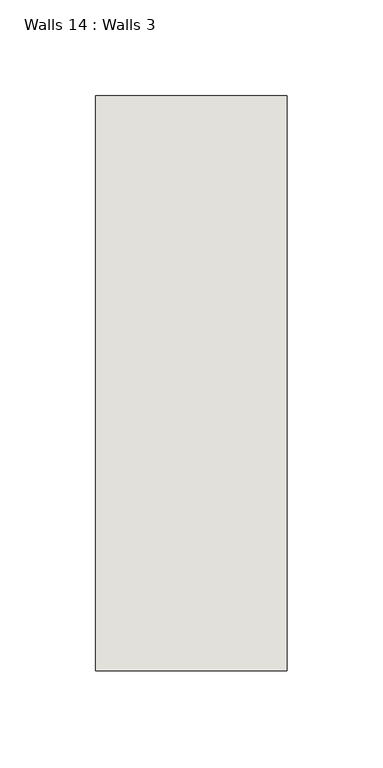
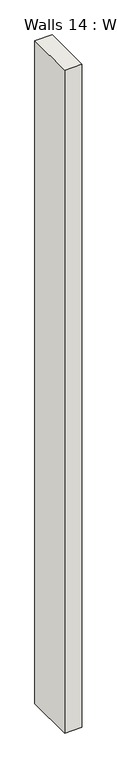
"""IFC4 building model written with IfcOpenShell, lengths in millimetres: wall geometry, Walls 14 : Walls 3."""

from ifc_helpers import new_model, si_unit, origin, origin_with_axes, place, context, project, spatial, polyline, outline, extrude, source, transform, mapped, element, save


def walls_14_walls_3_1f19c960(model_context):
    return source(origin(), model_context, "Body", "SweptSolid", [
        extrude(outline(polyline([(-6412.3812655, 1518.41264), (-6412.3812655, 1818.41264), (-6312.3812655, 1818.41264), (-6312.3812655, 1518.41264), (-6412.3812655, 1518.41264)])), origin_with_axes(), (0.0, 0.0, 1.0), 4085.1192828),
    ])


if __name__ == "__main__":
    model = new_model("IFC4")
    model_context = context("Model", 3, world=origin())
    ifc_project = project(units=[si_unit("LENGTHUNIT", "METRE", prefix="MILLI")], contexts=[model_context])
    site = spatial("IfcSite", under=ifc_project)
    building = spatial("IfcBuilding", under=site)
    placement = place(None, origin())
    walls_14_walls_3_shape = walls_14_walls_3_1f19c960(model_context)
    element("IfcWall", 1, ObjectType="Walls 14 : Walls 3", at=placement, inside=building, context=model_context, shape_type="MappedRepresentation", body=[
        mapped(walls_14_walls_3_shape, transform((0.0, 0.0, 0.0), x_axis=(1.0, 0.0, 0.0), y_axis=(0.0, 1.0, 0.0), z_axis=(0.0, 0.0, 1.0))),
    ])
    save(model, "model.ifc")
